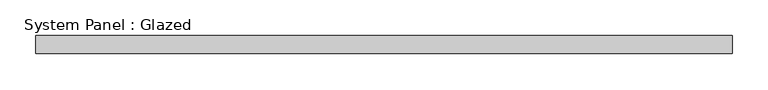
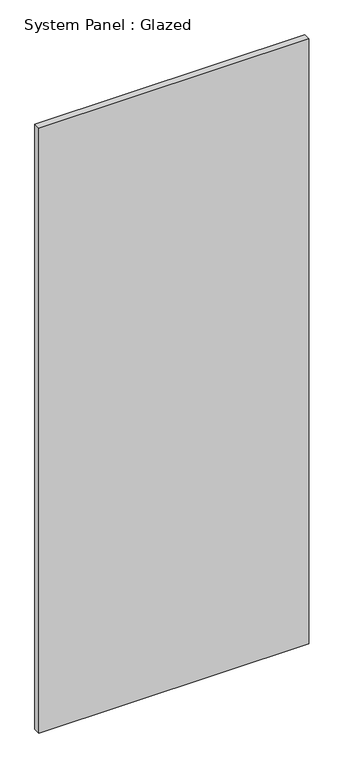
"""IFC4 building model written with IfcOpenShell, lengths in millimetres: plate geometry, System Panel : Glazed."""

import ifcopenshell
import ifcopenshell.guid

model = None  # the IFC model being written
_history = None  # IfcOwnerHistory: only IFC2X3 demands one
_inside = {}  # id of a spatial element -> (the spatial element, [elements in it])
_under = {}  # id of a project, library or spatial element -> (it, [spatial elements below it])
_declared = {}  # id of a project -> (the project, [libraries it declares])
_typed = {}  # id of a type object -> (the type object, [elements of that type])
_made_of = {}  # id of a material, layer set ... -> (it, [elements and type objects made of it])


def new_model(schema):
    """Start an empty IFC model of exactly this schema.

    Asked for "IFC4X3", IfcOpenShell would pick the latest addendum, in which some entities
    have other attributes; the version numbers below select the first issue.
    IFC2X3 requires an IfcOwnerHistory on every rooted entity: one is made here for all.
    """
    global model, _history
    if schema == "IFC4X3":
        model = ifcopenshell.file(schema_version=(4, 3, 0, 0))
    else:
        model = ifcopenshell.file(schema=schema)
    _inside.clear()
    _under.clear()
    _declared.clear()
    _typed.clear()
    _made_of.clear()
    _history = None
    if model.schema == "IFC2X3":
        org = make("IfcOrganization", Name="unknown")
        user = make(
            "IfcPersonAndOrganization",
            ThePerson=make("IfcPerson", FamilyName="unknown"),
            TheOrganization=org,
        )
        app = make(
            "IfcApplication",
            ApplicationDeveloper=org,
            Version="unknown",
            ApplicationFullName="unknown",
            ApplicationIdentifier="unknown",
        )
        _history = make(
            "IfcOwnerHistory",
            OwningUser=user,
            OwningApplication=app,
            ChangeAction="ADDED",
            CreationDate=0,
        )
    return model


def make(cls, **values):
    """One entity of the class cls with the attributes given. An attribute that is None is left unset."""
    return model.create_entity(
        cls, **{name: value for name, value in values.items() if value is not None}
    )


def rooted(cls, **values):
    """An entity with a GlobalId (a new one), such as an element, a storey or a relation."""
    return make(cls, GlobalId=ifcopenshell.guid.new(), OwnerHistory=_history, **values)


def si_unit(unit_type, name, prefix=None):
    """IfcSIUnit, for example si_unit("LENGTHUNIT", "METRE", prefix="MILLI")."""
    return make("IfcSIUnit", UnitType=unit_type, Prefix=prefix, Name=name)


def assignment(units):
    """IfcUnitAssignment: the units of a project."""
    return None if units is None else make("IfcUnitAssignment", Units=units)


def point(xyz):
    """IfcCartesianPoint."""
    return None if xyz is None else make("IfcCartesianPoint", Coordinates=xyz)


def direction(xyz):
    """IfcDirection."""
    return None if xyz is None else make("IfcDirection", DirectionRatios=xyz)


def frame(location, z_axis=None, x_axis=None):
    """IfcAxis2Placement3D, a coordinate frame: its origin and axes. An axis left out is left unset."""
    return make(
        "IfcAxis2Placement3D",
        Location=point(location),
        Axis=direction(z_axis),
        RefDirection=direction(x_axis),
    )


def origin():
    """The frame at (0, 0, 0) with its axes left unset."""
    return frame((0.0, 0.0, 0.0))


def origin_with_axes():
    """The frame at (0, 0, 0) with the z axis (0, 0, 1) and the x axis (1, 0, 0) written out."""
    return frame((0.0, 0.0, 0.0), z_axis=(0.0, 0.0, 1.0), x_axis=(1.0, 0.0, 0.0))


def place(relative_to, where):
    """IfcLocalPlacement: puts the frame where relative to a parent placement (None: the world)."""
    return make(
        "IfcLocalPlacement", PlacementRelTo=relative_to, RelativePlacement=where
    )


def context(
    kind, dimensions, precision=None, world=None, true_north=None, identifier=None
):
    """IfcGeometricRepresentationContext, for example the 3D "Model" context."""
    return make(
        "IfcGeometricRepresentationContext",
        ContextIdentifier=identifier,
        ContextType=kind,
        CoordinateSpaceDimension=dimensions,
        Precision=precision,
        WorldCoordinateSystem=world,
        TrueNorth=true_north,
    )


def project(units=None, contexts=None):
    """IfcProject with its units and contexts."""
    return rooted(
        "IfcProject",
        Name="project",
        RepresentationContexts=contexts,
        UnitsInContext=assignment(units),
    )


def spatial(cls, under=None, at=None, **own):
    """A site, building, storey or space (cls), placed at a placement, below another one or the project."""
    s = rooted(cls, ObjectPlacement=at, **own)
    if under is not None:
        _under.setdefault(under.id(), (under, []))[1].append(s)
    return s


def polyline(points):
    """IfcPolyline through the points."""
    return make("IfcPolyline", Points=[point(p) for p in points])


def outline(outer, holes=None, kind="AREA"):
    """IfcArbitraryClosedProfileDef: a profile drawn as a closed curve; with holes, ...WithVoids."""
    if holes is None:
        return make("IfcArbitraryClosedProfileDef", ProfileType=kind, OuterCurve=outer)
    return make(
        "IfcArbitraryProfileDefWithVoids",
        ProfileType=kind,
        OuterCurve=outer,
        InnerCurves=holes,
    )


def extrude(swept, where, along, depth):
    """IfcExtrudedAreaSolid: the profile swept, set in the frame where, extruded along a direction by depth."""
    return make(
        "IfcExtrudedAreaSolid",
        SweptArea=swept,
        Position=where,
        ExtrudedDirection=direction(along),
        Depth=depth,
    )


def shape(context_of_items, identifier, shape_type, items):
    """IfcShapeRepresentation: the items that make up one representation, for example the "Body"."""
    return make(
        "IfcShapeRepresentation",
        ContextOfItems=context_of_items,
        RepresentationIdentifier=identifier,
        RepresentationType=shape_type,
        Items=items,
    )


def source(mapping_origin, context_of_items, identifier, shape_type, items):
    """IfcRepresentationMap: a shape defined once, which mapped items show again and again."""
    return make(
        "IfcRepresentationMap",
        MappingOrigin=mapping_origin,
        MappedRepresentation=shape(context_of_items, identifier, shape_type, items),
    )


def transform(
    local_origin,
    x_axis=None,
    y_axis=None,
    z_axis=None,
    scale=None,
    scale2=None,
    scale3=None,
    uniform=True,
):
    """IfcCartesianTransformationOperator3D, or its non-uniform kind. x_axis, y_axis, z_axis: its Axis1, 2, 3."""
    if uniform:
        return make(
            "IfcCartesianTransformationOperator3D",
            Axis1=direction(x_axis),
            Axis2=direction(y_axis),
            LocalOrigin=point(local_origin),
            Scale=scale,
            Axis3=direction(z_axis),
        )
    return make(
        "IfcCartesianTransformationOperator3DnonUniform",
        Axis1=direction(x_axis),
        Axis2=direction(y_axis),
        LocalOrigin=point(local_origin),
        Scale=scale,
        Axis3=direction(z_axis),
        Scale2=scale2,
        Scale3=scale3,
    )


def mapped(mapping_source, mapping_target):
    """IfcMappedItem: shows the shape of a source again, moved by a transform."""
    return make(
        "IfcMappedItem", MappingSource=mapping_source, MappingTarget=mapping_target
    )


def made_of(thing, what):
    """Note that an element or type object is made of a material, layer set ...; save() writes the relation."""
    if what is not None:
        _made_of.setdefault(what.id(), (what, []))[1].append(thing)
    return thing


def element(
    cls,
    number,
    at=None,
    inside=None,
    cuts=None,
    type_object=None,
    material=None,
    context=None,
    identifier="Body",
    shape_type=None,
    held_by="IfcProductDefinitionShape",
    body=None,
    shapes=None,
    **own,
):
    """One element of the class cls, such as IfcWall. Its Tag is "e" and its number.

    at: its placement. inside: the storey or other place that contains it. cuts: it is an
    opening in that element (IfcRelVoidsElement). A single representation is given by context,
    identifier, shape_type and body (its items); several are given by shapes. held_by: the class
    of the entity that holds the representations. save() writes the other relations.
    """
    e = rooted(cls, Tag="e%d" % number, ObjectPlacement=at, **own)
    if body is not None:
        shapes = [shape(context, identifier, shape_type, body)]
    if shapes is not None:
        e.Representation = make(held_by, Representations=shapes)
    if inside is not None:
        _inside.setdefault(inside.id(), (inside, []))[1].append(e)
    if cuts is not None:
        rooted(
            "IfcRelVoidsElement", RelatingBuildingElement=cuts, RelatedOpeningElement=e
        )
    if type_object is not None:
        _typed.setdefault(type_object.id(), (type_object, []))[1].append(e)
    return made_of(e, material)


def aggregate(whole, parts):
    """IfcRelAggregates: a whole, such as a stair, and the parts it consists of."""
    return rooted("IfcRelAggregates", RelatingObject=whole, RelatedObjects=parts)


def save(model, path):
    """Write the relations noted so far, then the file.

    IfcRelAggregates (storeys below a building ...), IfcRelContainedInSpatialStructure (elements
    in a storey), IfcRelDefinesByType, IfcRelAssociatesMaterial and IfcRelDeclares: one each for
    every whole, place, type object, material and project.
    """
    for whole, parts in _under.values():
        aggregate(whole, parts)
    for where, things in _inside.values():
        rooted(
            "IfcRelContainedInSpatialStructure",
            RelatedElements=things,
            RelatingStructure=where,
        )
    for kind, things in _typed.values():
        rooted("IfcRelDefinesByType", RelatedObjects=things, RelatingType=kind)
    for what, things in _made_of.values():
        rooted("IfcRelAssociatesMaterial", RelatedObjects=things, RelatingMaterial=what)
    for by, libraries in _declared.values():
        rooted("IfcRelDeclares", RelatingContext=by, RelatedDefinitions=libraries)
    model.write(path)


def system_panel_glazed_c25e57fb(model_context):
    return source(origin(), model_context, "Body", "SweptSolid", [
        extrude(outline(polyline([(485.0, 24.5), (-485.0, 24.5), (-485.0, 49.5), (485.0, 49.5), (485.0, 24.5)])), origin_with_axes(), (0.0, 0.0, 1.0), 2300.0),
    ])


if __name__ == "__main__":
    model = new_model("IFC4")
    model_context = context("Model", 3, world=origin())
    ifc_project = project(units=[si_unit("LENGTHUNIT", "METRE", prefix="MILLI")], contexts=[model_context])
    site = spatial("IfcSite", under=ifc_project)
    building = spatial("IfcBuilding", under=site)
    placement = place(None, origin())
    system_panel_glazed_shape = system_panel_glazed_c25e57fb(model_context)
    element("IfcPlate", 1, ObjectType="System Panel : Glazed", at=placement, inside=building, context=model_context, shape_type="MappedRepresentation", body=[
        mapped(system_panel_glazed_shape, transform((0.0, 0.0, 0.0), x_axis=(1.0, 0.0, 0.0), y_axis=(0.0, 1.0, 0.0), z_axis=(0.0, 0.0, 1.0))),
    ])
    save(model, "model.ifc")
